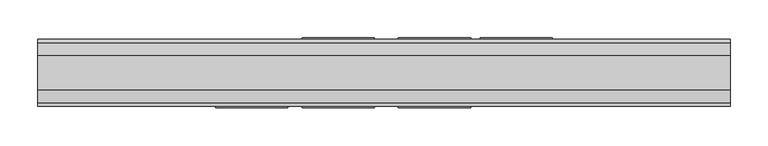
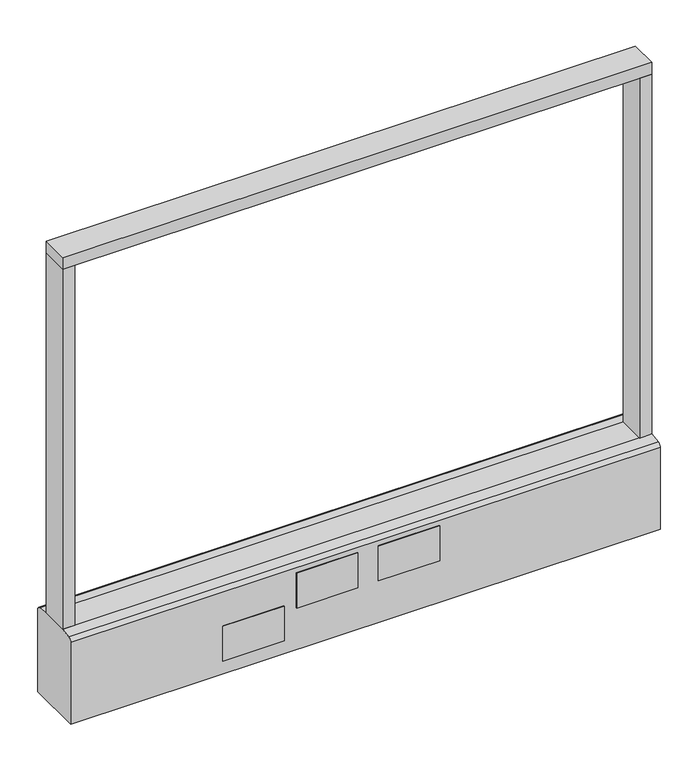
"""IFC4 building model written with IfcOpenShell, lengths in millimetres: furniture geometry."""

from ifc_helpers import new_model, si_unit, point, frame, frame_2d, origin, origin_with_axes, place, context, project, spatial, polyline, circle_curve, trimmed, segment, composite_curve, outline, extrude, source, transform, mapped, element, save


def furniture_ca1c2598(model_context):
    return source(origin(), model_context, "Body", "SweptSolid", [
        extrude(outline(polyline([(457.2, -22.225), (-457.2, -22.225), (-457.2, 22.225), (457.2, 22.225), (457.2, -22.225)])), frame((0.0, 0.0, 742.95), z_axis=(0.0, 0.0, 1.0), x_axis=(1.0, 0.0, 0.0)), (0.0, 0.0, 1.0), 19.05),
        extrude(outline(composite_curve([segment(trimmed(circle_curve(frame_2d((-381.0, 0.0)), 23.415625), [point((-404.415625, 0.0))], [point((-357.584375, 0.0))], False, "CARTESIAN"), True, "CONTINUOUS"), segment(trimmed(circle_curve(frame_2d((-381.0, 0.0)), 23.415625), [point((-357.584375, 0.0))], [point((-404.415625, 0.0))], False, "CARTESIAN"), True, "CONTINUOUS")], self_intersect=False)), origin_with_axes(), (0.0, 0.0, 1.0), 6.35),
        extrude(outline(composite_curve([segment(trimmed(circle_curve(frame_2d((381.0, 0.0)), 23.415625), [point((357.584375, 0.0))], [point((404.415625, 0.0))], False, "CARTESIAN"), True, "CONTINUOUS"), segment(trimmed(circle_curve(frame_2d((381.0, 0.0)), 23.415625), [point((404.415625, 0.0))], [point((357.584375, 0.0))], False, "CARTESIAN"), True, "CONTINUOUS")], self_intersect=False)), origin_with_axes(), (0.0, 0.0, 1.0), 6.35),
        extrude(outline(polyline([(-438.1500091, -22.225), (-457.2, -22.225), (-457.2, 22.225), (-438.1500091, 22.225), (-438.1500091, -22.225)])), frame((0.0, 0.0, 152.4), z_axis=(0.0, 0.0, 1.0), x_axis=(1.0, 0.0, 0.0)), (0.0, 0.0, 1.0), 590.55),
        extrude(outline(polyline([(457.2, -22.225), (438.1500091, -22.225), (438.1500091, 22.225), (457.2, 22.225), (457.2, -22.225)])), frame((0.0, 0.0, 152.4), z_axis=(0.0, 0.0, 1.0), x_axis=(1.0, 0.0, 0.0)), (0.0, 0.0, 1.0), 590.55),
        extrude(outline(composite_curve([segment(polyline([(-22.225, 152.4), (22.225, 152.4), (39.43219, 149.94183)]), True, "CONTINUOUS"), segment(trimmed(circle_curve(frame_2d((38.605678, 144.1562464)), 5.844322), [point((39.43219, 149.94183))], [point((44.45, 144.1562464))], False, "CARTESIAN"), True, "CONTINUOUS"), segment(polyline([(44.45, 144.1562464), (44.45, 9.525), (-44.4433083, 9.525), (-44.4433083, 144.1572033)]), True, "CONTINUOUS"), segment(trimmed(circle_curve(frame_2d((-38.5989863, 144.1572033)), 5.844322), [point((-44.4433083, 144.1572033))], [point((-39.4222979, 149.9432432))], False, "CARTESIAN"), True, "CONTINUOUS"), segment(polyline([(-39.4222979, 149.9432432), (-22.225, 152.4)]), True, "CONTINUOUS")], self_intersect=False)), frame((-457.2, 0.0, 0.0), z_axis=(1.0, 0.0, 0.0), x_axis=(0.0, 1.0, 0.0)), (0.0, 0.0, 1.0), 914.4),
        extrude(outline(polyline([(222.25, 44.45), (127.0, 44.45), (127.0, 46.0375), (222.25, 46.0375), (222.25, 44.45)])), frame((0.0, 0.0, 31.75), z_axis=(0.0, 0.0, 1.0), x_axis=(1.0, 0.0, 0.0)), (0.0, 0.0, 1.0), 57.15),
        extrude(outline(polyline([(114.3, 44.45), (19.05, 44.45), (19.05, 46.0375), (114.3, 46.0375), (114.3, 44.45)])), frame((0.0, 0.0, 79.1718), z_axis=(0.0, 0.0, 1.0), x_axis=(1.0, 0.0, 0.0)), (0.0, 0.0, 1.0), 57.15),
        extrude(outline(polyline([(-12.7, 44.45), (-107.95, 44.45), (-107.95, 46.0375), (-12.7, 46.0375), (-12.7, 44.45)])), frame((0.0, 0.0, 79.1718), z_axis=(0.0, 0.0, 1.0), x_axis=(1.0, 0.0, 0.0)), (0.0, 0.0, 1.0), 57.15),
        extrude(outline(polyline([(-127.0, -46.0375), (-222.25, -46.0375), (-222.25, -44.45), (-127.0, -44.45), (-127.0, -46.0375)])), frame((0.0, 0.0, 31.75), z_axis=(0.0, 0.0, 1.0), x_axis=(1.0, 0.0, 0.0)), (0.0, 0.0, 1.0), 57.15),
        extrude(outline(polyline([(114.3, -46.0375), (19.05, -46.0375), (19.05, -44.45), (114.3, -44.45), (114.3, -46.0375)])), frame((0.0, 0.0, 79.1718), z_axis=(0.0, 0.0, 1.0), x_axis=(1.0, 0.0, 0.0)), (0.0, 0.0, 1.0), 57.15),
        extrude(outline(polyline([(-12.7, -46.0375), (-107.95, -46.0375), (-107.95, -44.45), (-12.7, -44.45), (-12.7, -46.0375)])), frame((0.0, 0.0, 79.1718), z_axis=(0.0, 0.0, 1.0), x_axis=(1.0, 0.0, 0.0)), (0.0, 0.0, 1.0), 57.15),
        extrude(outline(composite_curve([segment(trimmed(circle_curve(frame_2d((-381.0, 0.0)), 5.55625), [point((-386.55625, 0.0))], [point((-375.44375, 0.0))], False, "CARTESIAN"), True, "CONTINUOUS"), segment(trimmed(circle_curve(frame_2d((-381.0, 0.0)), 5.55625), [point((-375.44375, 0.0))], [point((-386.55625, 0.0))], False, "CARTESIAN"), True, "CONTINUOUS")], self_intersect=False)), frame((0.0, 0.0, 6.35), z_axis=(0.0, 0.0, 1.0), x_axis=(1.0, 0.0, 0.0)), (0.0, 0.0, 1.0), 3.175),
        extrude(outline(composite_curve([segment(trimmed(circle_curve(frame_2d((381.0, 0.0)), 5.55625), [point((375.44375, 0.0))], [point((386.55625, 0.0))], False, "CARTESIAN"), True, "CONTINUOUS"), segment(trimmed(circle_curve(frame_2d((381.0, 0.0)), 5.55625), [point((386.55625, 0.0))], [point((375.44375, 0.0))], False, "CARTESIAN"), True, "CONTINUOUS")], self_intersect=False)), frame((0.0, 0.0, 6.35), z_axis=(0.0, 0.0, 1.0), x_axis=(1.0, 0.0, 0.0)), (0.0, 0.0, 1.0), 3.175),
    ])


if __name__ == "__main__":
    model = new_model("IFC4")
    model_context = context("Model", 3, world=origin())
    ifc_project = project(units=[si_unit("LENGTHUNIT", "METRE", prefix="MILLI")], contexts=[model_context])
    site = spatial("IfcSite", under=ifc_project)
    building = spatial("IfcBuilding", under=site)
    placement = place(None, origin())
    furniture_shape = furniture_ca1c2598(model_context)
    element("IfcFurniture", 1, at=placement, inside=building, context=model_context, shape_type="MappedRepresentation", body=[
        mapped(furniture_shape, transform((0.0, 0.0, 0.0), x_axis=(1.0, 0.0, 0.0), y_axis=(0.0, 1.0, 0.0), z_axis=(0.0, 0.0, 1.0))),
    ])
    save(model, "model.ifc")
